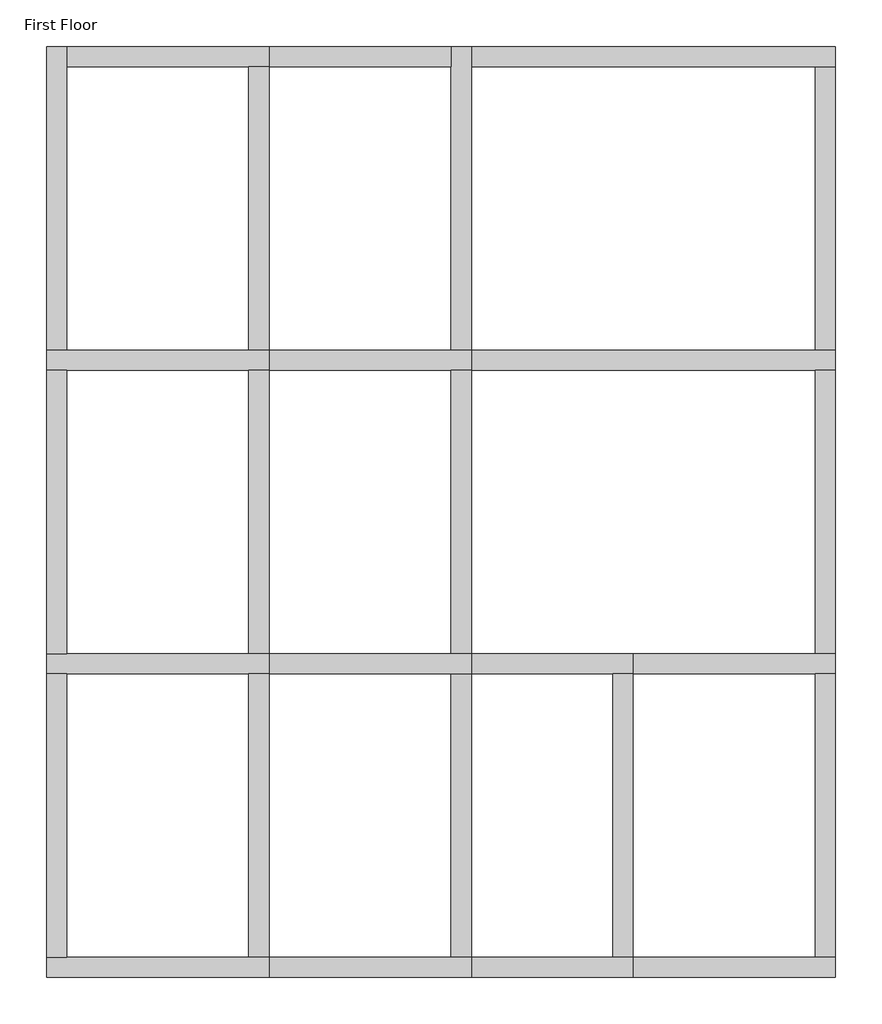
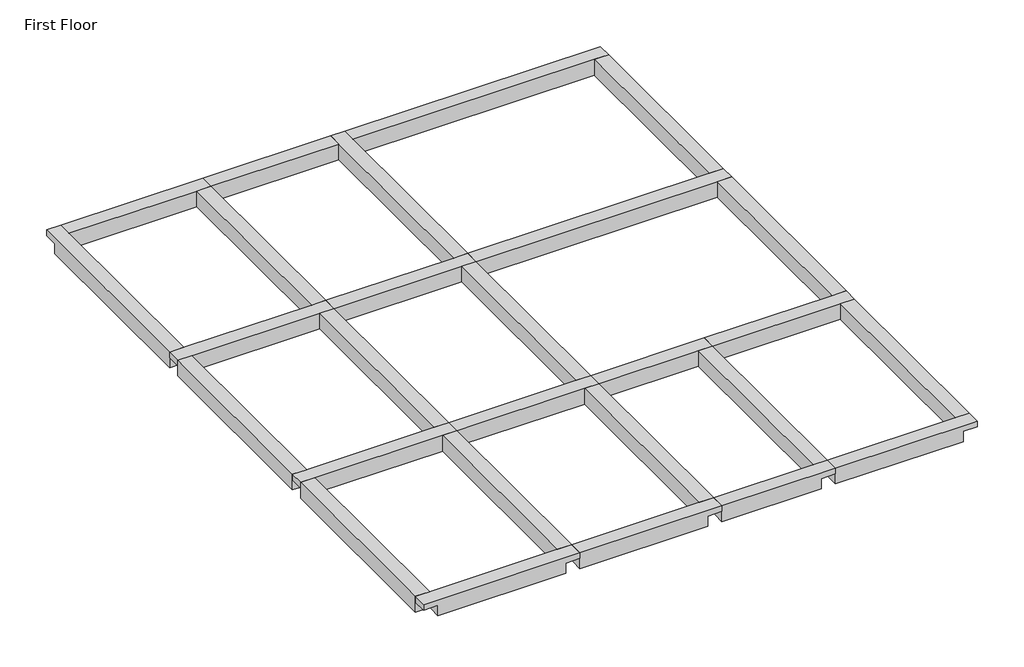
# One storey: 27 beams.
"""IFC4 building model written with IfcOpenShell, lengths in millimetres."""

from ifc_helpers import new_model, si_unit, origin, place, context, project, spatial, faceted_brep, element, save

model = new_model("IFC4")

# Units and contexts
model_context = context("Model", 3, world=origin())
ifc_project = project(units=[si_unit("LENGTHUNIT", "METRE", prefix="MILLI")], contexts=[model_context])

# Site, building, storey
site = spatial("IfcSite", under=ifc_project)
building = spatial("IfcBuilding", under=site)
storey = spatial("IfcBuildingStorey", under=building, Name="First Floor", Elevation=2870.2)

# Beams
placement = place(None, origin())
element("IfcBeam", 1, ObjectType="Concrete-Rectangular Beam", at=placement, inside=storey, context=model_context, shape_type="Brep", body=[
    faceted_brep([(6210.1409002, -15344.0114294, 2870.2), (6210.1409002, -15039.2114294, 2870.2), (5905.3409002, -15039.2114294, 2870.2), (3162.1409002, -15039.2114294, 2870.2), (2857.3409002, -15039.2114294, 2870.2), (2857.3409002, -15344.0114294, 2870.2), (2857.3409002, -15344.0114294, 2743.2), (3162.1409002, -15344.0114294, 2743.2), (3162.1409002, -15344.0114294, 2514.6), (5905.3409002, -15344.0114294, 2514.6), (5905.3409002, -15344.0114294, 2743.2), (6210.1409002, -15344.0114294, 2743.2), (3162.1409002, -15090.0114294, 2514.6), (3162.1409002, -15039.2114294, 2514.6), (5905.3409002, -15039.2114294, 2514.6), (5905.3409002, -15090.0114294, 2514.6), (6210.1409002, -15039.2114294, 2743.2), (5905.3409002, -15039.2114294, 2743.2), (3162.1409002, -15039.2114294, 2743.2), (2857.3409002, -15039.2114294, 2743.2)], [[[0, 1, 2, 3, 4, 5]], [[0, 5, 6, 7, 8, 9, 10, 11]], [[8, 12, 13, 14, 15, 9]], [[4, 3, 2, 1, 16, 17, 14, 13, 18, 19]], [[1, 0, 11, 16]], [[5, 4, 19, 6]], [[7, 18, 13, 12, 8]], [[18, 7, 6, 19]], [[17, 10, 9, 15, 14]], [[10, 17, 16, 11]]]),
])
element("IfcBeam", 2, ObjectType="Concrete-Rectangular Beam", at=placement, inside=storey, context=model_context, shape_type="Brep", body=[
    faceted_brep([(9258.1409002, -15344.0114294, 2870.2), (9258.1409002, -15039.2114294, 2870.2), (8953.3409002, -15039.2114294, 2870.2), (6210.1409002, -15039.2114294, 2870.2), (6210.1409002, -15344.0114294, 2870.2), (6210.1409002, -15344.0114294, 2743.2), (6210.1409002, -15344.0114294, 2514.6), (8953.3409002, -15344.0114294, 2514.6), (8953.3409002, -15344.0114294, 2743.2), (9258.1409002, -15344.0114294, 2743.2), (6210.1409002, -15090.0114294, 2514.6), (6210.1409002, -15039.2114294, 2514.6), (8953.3409002, -15039.2114294, 2514.6), (8953.3409002, -15090.0114294, 2514.6), (9258.1409002, -15039.2114294, 2743.2), (8953.3409002, -15039.2114294, 2743.2), (6210.1409002, -15039.2114294, 2743.2)], [[[0, 1, 2, 3, 4]], [[0, 4, 5, 6, 7, 8, 9]], [[6, 10, 11, 12, 13, 7]], [[3, 2, 1, 14, 15, 12, 11, 16]], [[1, 0, 9, 14]], [[4, 3, 16, 11, 10, 6, 5]], [[15, 8, 7, 13, 12]], [[8, 15, 14, 9]]]),
])
element("IfcBeam", 3, ObjectType="Concrete-Rectangular Beam", at=placement, inside=storey, context=model_context, shape_type="Brep", body=[
    faceted_brep([(11696.5409002, -15344.0114294, 2870.2), (11696.5409002, -15039.2114294, 2870.2), (11391.7409002, -15039.2114294, 2870.2), (9258.1409002, -15039.2114294, 2870.2), (9258.1409002, -15344.0114294, 2870.2), (9258.1409002, -15344.0114294, 2743.2), (9258.1409002, -15344.0114294, 2514.6), (11391.7409002, -15344.0114294, 2514.6), (11391.7409002, -15344.0114294, 2743.2), (11696.5409002, -15344.0114294, 2743.2), (9258.1409002, -15090.0114294, 2514.6), (9258.1409002, -15039.2114294, 2514.6), (11391.7409002, -15039.2114294, 2514.6), (11391.7409002, -15090.0114294, 2514.6), (11696.5409002, -15039.2114294, 2743.2), (11391.7409002, -15039.2114294, 2743.2), (9258.1409002, -15039.2114294, 2743.2)], [[[0, 1, 2, 3, 4]], [[0, 4, 5, 6, 7, 8, 9]], [[6, 10, 11, 12, 13, 7]], [[3, 2, 1, 14, 15, 12, 11, 16]], [[1, 0, 9, 14]], [[4, 3, 16, 11, 10, 6, 5]], [[15, 8, 7, 13, 12]], [[8, 15, 14, 9]]]),
])
element("IfcBeam", 4, ObjectType="Concrete-Rectangular Beam", at=placement, inside=storey, context=model_context, shape_type="Brep", body=[
    faceted_brep([(14744.5409002, -15344.0114294, 2870.2), (14744.5409002, -15039.2114294, 2870.2), (14439.7409002, -15039.2114294, 2870.2), (11696.5409002, -15039.2114294, 2870.2), (11696.5409002, -15344.0114294, 2870.2), (11696.5409002, -15344.0114294, 2743.2), (11696.5409002, -15344.0114294, 2514.6), (14439.7409002, -15344.0114294, 2514.6), (14439.7409002, -15344.0114294, 2743.2), (14744.5409002, -15344.0114294, 2743.2), (11696.5409002, -15090.0114294, 2514.6), (11696.5409002, -15039.2114294, 2514.6), (14439.7409002, -15039.2114294, 2514.6), (14439.7409002, -15090.0114294, 2514.6), (14744.5409002, -15039.2114294, 2743.2), (14439.7409002, -15039.2114294, 2743.2), (11696.5409002, -15039.2114294, 2743.2)], [[[0, 1, 2, 3, 4]], [[0, 4, 5, 6, 7, 8, 9]], [[6, 10, 11, 12, 13, 7]], [[3, 2, 1, 14, 15, 12, 11, 16]], [[1, 0, 9, 14]], [[4, 3, 16, 11, 10, 6, 5]], [[15, 8, 7, 13, 12]], [[8, 15, 14, 9]]]),
])
element("IfcBeam", 5, ObjectType="Concrete-Rectangular Beam", at=placement, inside=storey, context=model_context, shape_type="Brep", body=[
    faceted_brep([(6210.1409002, -10772.0114294, 2870.2), (6210.1409002, -10467.2114294, 2870.2), (5905.3409002, -10467.2114294, 2870.2), (3162.1409002, -10467.2114294, 2870.2), (2857.3409002, -10467.2114294, 2870.2), (2857.3409002, -10772.0114294, 2870.2), (3162.1409002, -10772.0114294, 2870.2), (5905.3409002, -10772.0114294, 2870.2), (2857.3409002, -10772.0114294, 2743.2), (3162.1409002, -10772.0114294, 2743.2), (3162.1409002, -10772.0114294, 2514.6), (5905.3409002, -10772.0114294, 2514.6), (5905.3409002, -10772.0114294, 2743.2), (6210.1409002, -10772.0114294, 2743.2), (3162.1409002, -10467.2114294, 2514.6), (5905.3409002, -10467.2114294, 2514.6), (6210.1409002, -10467.2114294, 2743.2), (5905.3409002, -10467.2114294, 2743.2), (3162.1409002, -10467.2114294, 2743.2), (2857.3409002, -10467.2114294, 2743.2)], [[[0, 1, 2, 3, 4, 5, 6, 7]], [[0, 7, 6, 5, 8, 9, 10, 11, 12, 13]], [[10, 14, 15, 11]], [[4, 3, 2, 1, 16, 17, 15, 14, 18, 19]], [[1, 0, 13, 16]], [[5, 4, 19, 8]], [[9, 18, 14, 10]], [[18, 9, 8, 19]], [[17, 12, 11, 15]], [[12, 17, 16, 13]]]),
])
element("IfcBeam", 6, ObjectType="Concrete-Rectangular Beam", at=placement, inside=storey, context=model_context, shape_type="Brep", body=[
    faceted_brep([(9258.1409002, -10772.0114294, 2870.2), (9258.1409002, -10467.2114294, 2870.2), (8953.3409002, -10467.2114294, 2870.2), (6210.1409002, -10467.2114294, 2870.2), (6210.1409002, -10772.0114294, 2870.2), (8953.3409002, -10772.0114294, 2870.2), (6210.1409002, -10772.0114294, 2743.2), (6210.1409002, -10772.0114294, 2514.6), (8953.3409002, -10772.0114294, 2514.6), (8953.3409002, -10772.0114294, 2743.2), (9258.1409002, -10772.0114294, 2743.2), (6210.1409002, -10467.2114294, 2514.6), (8953.3409002, -10467.2114294, 2514.6), (9258.1409002, -10467.2114294, 2743.2), (8953.3409002, -10467.2114294, 2743.2), (6210.1409002, -10467.2114294, 2743.2)], [[[0, 1, 2, 3, 4, 5]], [[0, 5, 4, 6, 7, 8, 9, 10]], [[7, 11, 12, 8]], [[3, 2, 1, 13, 14, 12, 11, 15]], [[1, 0, 10, 13]], [[4, 3, 15, 11, 7, 6]], [[14, 9, 8, 12]], [[9, 14, 13, 10]]]),
])
element("IfcBeam", 7, ObjectType="Concrete-Rectangular Beam", at=placement, inside=storey, context=model_context, shape_type="Brep", body=[
    faceted_brep([(11696.5409002, -10772.0114294, 2870.2), (11696.5409002, -10467.2114294, 2870.2), (9258.1409002, -10467.2114294, 2870.2), (9258.1409002, -10772.0114294, 2870.2), (11391.7409002, -10772.0114294, 2870.2), (9258.1409002, -10772.0114294, 2743.2), (9258.1409002, -10772.0114294, 2514.6), (11391.7409002, -10772.0114294, 2514.6), (11391.7409002, -10772.0114294, 2743.2), (11696.5409002, -10772.0114294, 2743.2), (9258.1409002, -10467.2114294, 2514.6), (11391.7409002, -10467.2114294, 2514.6), (11696.5409002, -10467.2114294, 2743.2), (11391.7409002, -10467.2114294, 2743.2), (9258.1409002, -10467.2114294, 2743.2)], [[[0, 1, 2, 3, 4]], [[0, 4, 3, 5, 6, 7, 8, 9]], [[6, 10, 11, 7]], [[2, 1, 12, 13, 11, 10, 14]], [[1, 0, 9, 12]], [[3, 2, 14, 10, 6, 5]], [[13, 8, 7, 11]], [[8, 13, 12, 9]]]),
])
element("IfcBeam", 8, ObjectType="Concrete-Rectangular Beam", at=placement, inside=storey, context=model_context, shape_type="Brep", body=[
    faceted_brep([(14744.5409002, -10772.0114294, 2870.2), (14744.5409002, -10467.2114294, 2870.2), (14439.7409002, -10467.2114294, 2870.2), (11696.5409002, -10467.2114294, 2870.2), (11696.5409002, -10772.0114294, 2870.2), (14439.7409002, -10772.0114294, 2870.2), (11696.5409002, -10772.0114294, 2743.2), (11696.5409002, -10772.0114294, 2514.6), (14439.7409002, -10772.0114294, 2514.6), (14439.7409002, -10772.0114294, 2743.2), (14744.5409002, -10772.0114294, 2743.2), (11696.5409002, -10467.2114294, 2514.6), (14439.7409002, -10467.2114294, 2514.6), (14744.5409002, -10467.2114294, 2743.2), (14439.7409002, -10467.2114294, 2743.2), (11696.5409002, -10467.2114294, 2743.2)], [[[0, 1, 2, 3, 4, 5]], [[0, 5, 4, 6, 7, 8, 9, 10]], [[7, 11, 12, 8]], [[3, 2, 1, 13, 14, 12, 11, 15]], [[1, 0, 10, 13]], [[4, 3, 15, 11, 7, 6]], [[14, 9, 8, 12]], [[9, 14, 13, 10]]]),
])
element("IfcBeam", 9, ObjectType="Concrete-Rectangular Beam", at=placement, inside=storey, context=model_context, shape_type="Brep", body=[
    faceted_brep([(6210.1409002, -6200.0114294, 2870.2), (6210.1409002, -5895.2114294, 2870.2), (5905.3409002, -5895.2114294, 2870.2), (3162.1409002, -5895.2114294, 2870.2), (2857.3409002, -5895.2114294, 2870.2), (2857.3409002, -6200.0114294, 2870.2), (3162.1409002, -6200.0114294, 2870.2), (5905.3409002, -6200.0114294, 2870.2), (2857.3409002, -6200.0114294, 2743.2), (3162.1409002, -6200.0114294, 2743.2), (3162.1409002, -6200.0114294, 2514.6), (5905.3409002, -6200.0114294, 2514.6), (5905.3409002, -6200.0114294, 2743.2), (6210.1409002, -6200.0114294, 2743.2), (3162.1409002, -5895.2114294, 2514.6), (5905.3409002, -5895.2114294, 2514.6), (6210.1409002, -5895.2114294, 2743.2), (5905.3409002, -5895.2114294, 2743.2), (3162.1409002, -5895.2114294, 2743.2), (2857.3409002, -5895.2114294, 2743.2)], [[[0, 1, 2, 3, 4, 5, 6, 7]], [[0, 7, 6, 5, 8, 9, 10, 11, 12, 13]], [[10, 14, 15, 11]], [[4, 3, 2, 1, 16, 17, 15, 14, 18, 19]], [[1, 0, 13, 16]], [[5, 4, 19, 8]], [[9, 18, 14, 10]], [[18, 9, 8, 19]], [[17, 12, 11, 15]], [[12, 17, 16, 13]]]),
])
element("IfcBeam", 10, ObjectType="Concrete-Rectangular Beam", at=placement, inside=storey, context=model_context, shape_type="Brep", body=[
    faceted_brep([(9258.1409002, -6200.0114294, 2870.2), (9258.1409002, -5895.2114294, 2870.2), (8953.3409002, -5895.2114294, 2870.2), (6210.1409002, -5895.2114294, 2870.2), (6210.1409002, -6200.0114294, 2870.2), (8953.3409002, -6200.0114294, 2870.2), (6210.1409002, -6200.0114294, 2743.2), (6210.1409002, -6200.0114294, 2514.6), (8953.3409002, -6200.0114294, 2514.6), (8953.3409002, -6200.0114294, 2743.2), (9258.1409002, -6200.0114294, 2743.2), (6210.1409002, -5895.2114294, 2514.6), (8953.3409002, -5895.2114294, 2514.6), (9258.1409002, -5895.2114294, 2743.2), (8953.3409002, -5895.2114294, 2743.2), (6210.1409002, -5895.2114294, 2743.2)], [[[0, 1, 2, 3, 4, 5]], [[0, 5, 4, 6, 7, 8, 9, 10]], [[7, 11, 12, 8]], [[3, 2, 1, 13, 14, 12, 11, 15]], [[1, 0, 10, 13]], [[4, 3, 15, 11, 7, 6]], [[14, 9, 8, 12]], [[9, 14, 13, 10]]]),
])
element("IfcBeam", 11, ObjectType="Concrete-Rectangular Beam", at=placement, inside=storey, context=model_context, shape_type="Brep", body=[
    faceted_brep([(14744.5409002, -6200.0114294, 2870.2), (14744.5409002, -5895.2114294, 2870.2), (14439.7409002, -5895.2114294, 2870.2), (9258.1409002, -5895.2114294, 2870.2), (9258.1409002, -6200.0114294, 2870.2), (14439.7409002, -6200.0114294, 2870.2), (9258.1409002, -6200.0114294, 2743.2), (9258.1409002, -6200.0114294, 2514.6), (14439.7409002, -6200.0114294, 2514.6), (14439.7409002, -6200.0114294, 2743.2), (14744.5409002, -6200.0114294, 2743.2), (9258.1409002, -5895.2114294, 2514.6), (14439.7409002, -5895.2114294, 2514.6), (14744.5409002, -5895.2114294, 2743.2), (14439.7409002, -5895.2114294, 2743.2), (9258.1409002, -5895.2114294, 2743.2)], [[[0, 1, 2, 3, 4, 5]], [[0, 5, 4, 6, 7, 8, 9, 10]], [[7, 11, 12, 8]], [[3, 2, 1, 13, 14, 12, 11, 15]], [[1, 0, 10, 13]], [[4, 3, 15, 11, 7, 6]], [[14, 9, 8, 12]], [[9, 14, 13, 10]]]),
])
element("IfcBeam", 12, ObjectType="Concrete-Rectangular Beam", at=placement, inside=storey, context=model_context, shape_type="Brep", body=[
    faceted_brep([(3162.1409002, -1323.2114294, 2870.2), (2857.3409002, -1323.2114294, 2870.2), (2857.3409002, -5895.2114294, 2870.2), (3162.1409002, -5895.2114294, 2870.2), (3162.1409002, -1628.0114294, 2870.2), (2857.3409002, -1323.2114294, 2743.2), (2857.3409002, -1628.0114294, 2743.2), (2857.3409002, -1628.0114294, 2514.6), (2857.3409002, -5895.2114294, 2514.6), (2857.3409002, -5895.2114294, 2743.2), (3162.1409002, -5895.2114294, 2514.6), (3111.3409002, -5895.2114294, 2514.6), (3111.3409002, -1628.0114294, 2514.6), (3162.1409002, -1628.0114294, 2514.6), (3162.1409002, -5895.2114294, 2743.2), (3162.1409002, -1628.0114294, 2743.2), (3162.1409002, -1323.2114294, 2743.2)], [[[0, 1, 2, 3, 4]], [[2, 1, 5, 6, 7, 8, 9]], [[10, 11, 8, 7, 12, 13]], [[0, 4, 3, 14, 10, 13, 15, 16]], [[1, 0, 16, 5]], [[3, 2, 9, 8, 11, 10, 14]], [[6, 15, 13, 12, 7]], [[15, 6, 5, 16]]]),
])
element("IfcBeam", 13, ObjectType="Concrete-Rectangular Beam", at=placement, inside=storey, context=model_context, shape_type="Brep", body=[
    faceted_brep([(2857.3409002, -10467.2114294, 2870.2), (3162.1409002, -10467.2114294, 2870.2), (3162.1409002, -6200.0114294, 2870.2), (2857.3409002, -6200.0114294, 2870.2), (2857.3409002, -10467.2114294, 2514.6), (2857.3409002, -10467.2114294, 2743.2), (2857.3409002, -6200.0114294, 2743.2), (2857.3409002, -6200.0114294, 2514.6), (3162.1409002, -10467.2114294, 2514.6), (3111.3409002, -10467.2114294, 2514.6), (3111.3409002, -6200.0114294, 2514.6), (3162.1409002, -6200.0114294, 2514.6), (3162.1409002, -10467.2114294, 2743.2), (3162.1409002, -6200.0114294, 2743.2)], [[[0, 1, 2, 3]], [[4, 5, 0, 3, 6, 7]], [[8, 9, 4, 7, 10, 11]], [[1, 12, 8, 11, 13, 2]], [[1, 0, 5, 4, 9, 8, 12]], [[3, 2, 13, 11, 10, 7, 6]]]),
])
element("IfcBeam", 14, ObjectType="Concrete-Rectangular Beam", at=placement, inside=storey, context=model_context, shape_type="Brep", body=[
    faceted_brep([(2857.3409002, -15039.2114294, 2870.2), (3162.1409002, -15039.2114294, 2870.2), (3162.1409002, -10772.0114294, 2870.2), (2857.3409002, -10772.0114294, 2870.2), (2857.3409002, -15039.2114294, 2514.6), (2857.3409002, -15039.2114294, 2743.2), (2857.3409002, -10772.0114294, 2743.2), (2857.3409002, -10772.0114294, 2514.6), (3162.1409002, -15039.2114294, 2514.6), (3111.3409002, -15039.2114294, 2514.6), (3111.3409002, -10772.0114294, 2514.6), (3162.1409002, -10772.0114294, 2514.6), (3162.1409002, -15039.2114294, 2743.2), (3162.1409002, -10772.0114294, 2743.2)], [[[0, 1, 2, 3]], [[4, 5, 0, 3, 6, 7]], [[8, 9, 4, 7, 10, 11]], [[1, 12, 8, 11, 13, 2]], [[1, 0, 5, 4, 9, 8, 12]], [[3, 2, 13, 11, 10, 7, 6]]]),
])
element("IfcBeam", 15, ObjectType="Concrete-Rectangular Beam", at=placement, inside=storey, context=model_context, shape_type="Brep", body=[
    faceted_brep([(9258.1409002, -1323.2114294, 2870.2), (8953.3409002, -1323.2114294, 2870.2), (8953.3409002, -1628.0114294, 2870.2), (8953.3409002, -5895.2114294, 2870.2), (9258.1409002, -5895.2114294, 2870.2), (9258.1409002, -1628.0114294, 2870.2), (8953.3409002, -1323.2114294, 2743.2), (8953.3409002, -1628.0114294, 2743.2), (8953.3409002, -1628.0114294, 2514.6), (8953.3409002, -5895.2114294, 2514.6), (8953.3409002, -5895.2114294, 2743.2), (9258.1409002, -5895.2114294, 2514.6), (9258.1409002, -1628.0114294, 2514.6), (9258.1409002, -5895.2114294, 2743.2), (9258.1409002, -1628.0114294, 2743.2), (9258.1409002, -1323.2114294, 2743.2)], [[[0, 1, 2, 3, 4, 5]], [[3, 2, 1, 6, 7, 8, 9, 10]], [[11, 9, 8, 12]], [[0, 5, 4, 13, 11, 12, 14, 15]], [[1, 0, 15, 6]], [[4, 3, 10, 9, 11, 13]], [[7, 14, 12, 8]], [[14, 7, 6, 15]]]),
])
element("IfcBeam", 16, ObjectType="Concrete-Rectangular Beam", at=placement, inside=storey, context=model_context, shape_type="Brep", body=[
    faceted_brep([(8953.3409002, -10467.2114294, 2870.2), (9258.1409002, -10467.2114294, 2870.2), (9258.1409002, -6200.0114294, 2870.2), (8953.3409002, -6200.0114294, 2870.2), (8953.3409002, -10467.2114294, 2514.6), (8953.3409002, -10467.2114294, 2743.2), (8953.3409002, -6200.0114294, 2743.2), (8953.3409002, -6200.0114294, 2514.6), (9258.1409002, -10467.2114294, 2514.6), (9258.1409002, -6200.0114294, 2514.6), (9258.1409002, -10467.2114294, 2743.2), (9258.1409002, -6200.0114294, 2743.2)], [[[0, 1, 2, 3]], [[4, 5, 0, 3, 6, 7]], [[8, 4, 7, 9]], [[1, 10, 8, 9, 11, 2]], [[1, 0, 5, 4, 8, 10]], [[3, 2, 11, 9, 7, 6]]]),
])
element("IfcBeam", 17, ObjectType="Concrete-Rectangular Beam", at=placement, inside=storey, context=model_context, shape_type="Brep", body=[
    faceted_brep([(8953.3409002, -15039.2114294, 2870.2), (9258.1409002, -15039.2114294, 2870.2), (9258.1409002, -10772.0114294, 2870.2), (8953.3409002, -10772.0114294, 2870.2), (8953.3409002, -15039.2114294, 2514.6), (8953.3409002, -15039.2114294, 2743.2), (8953.3409002, -10772.0114294, 2743.2), (8953.3409002, -10772.0114294, 2514.6), (9258.1409002, -15039.2114294, 2514.6), (9258.1409002, -10772.0114294, 2514.6), (9258.1409002, -15039.2114294, 2743.2), (9258.1409002, -10772.0114294, 2743.2)], [[[0, 1, 2, 3]], [[4, 5, 0, 3, 6, 7]], [[8, 4, 7, 9]], [[1, 10, 8, 9, 11, 2]], [[1, 0, 5, 4, 8, 10]], [[3, 2, 11, 9, 7, 6]]]),
])
element("IfcBeam", 18, ObjectType="Concrete-Rectangular Beam", at=placement, inside=storey, context=model_context, shape_type="Brep", body=[
    faceted_brep([(11391.7409002, -15039.2114294, 2870.2), (11696.5409002, -15039.2114294, 2870.2), (11696.5409002, -10772.0114294, 2870.2), (11391.7409002, -10772.0114294, 2870.2), (11391.7409002, -15039.2114294, 2514.6), (11391.7409002, -15039.2114294, 2743.2), (11391.7409002, -10772.0114294, 2743.2), (11391.7409002, -10772.0114294, 2514.6), (11696.5409002, -15039.2114294, 2514.6), (11696.5409002, -10772.0114294, 2514.6), (11696.5409002, -15039.2114294, 2743.2), (11696.5409002, -10772.0114294, 2743.2)], [[[0, 1, 2, 3]], [[4, 5, 0, 3, 6, 7]], [[8, 4, 7, 9]], [[1, 10, 8, 9, 11, 2]], [[1, 0, 5, 4, 8, 10]], [[3, 2, 11, 9, 7, 6]]]),
])
element("IfcBeam", 19, ObjectType="Concrete-Rectangular Beam", at=placement, inside=storey, context=model_context, shape_type="Brep", body=[
    faceted_brep([(6210.1409002, -1628.0114294, 2870.2), (6210.1409002, -1323.2114294, 2870.2), (3162.1409002, -1323.2114294, 2870.2), (3162.1409002, -1628.0114294, 2870.2), (5905.3409002, -1628.0114294, 2870.2), (3162.1409002, -1628.0114294, 2743.2), (3162.1409002, -1628.0114294, 2514.6), (5905.3409002, -1628.0114294, 2514.6), (5905.3409002, -1628.0114294, 2743.2), (6210.1409002, -1628.0114294, 2743.2), (3162.1409002, -1323.2114294, 2514.6), (5905.3409002, -1323.2114294, 2514.6), (6210.1409002, -1323.2114294, 2743.2), (5905.3409002, -1323.2114294, 2743.2), (3162.1409002, -1323.2114294, 2743.2)], [[[0, 1, 2, 3, 4]], [[0, 4, 3, 5, 6, 7, 8, 9]], [[6, 10, 11, 7]], [[2, 1, 12, 13, 11, 10, 14]], [[1, 0, 9, 12]], [[3, 2, 14, 10, 6, 5]], [[13, 8, 7, 11]], [[8, 13, 12, 9]]]),
])
element("IfcBeam", 20, ObjectType="Concrete-Rectangular Beam", at=placement, inside=storey, context=model_context, shape_type="Brep", body=[
    faceted_brep([(8953.3409002, -1628.0114294, 2870.2), (8953.3409002, -1323.2114294, 2870.2), (6210.1409002, -1323.2114294, 2870.2), (6210.1409002, -1628.0114294, 2870.2), (8953.3409002, -1628.0114294, 2514.6), (8953.3409002, -1628.0114294, 2743.2), (6210.1409002, -1628.0114294, 2743.2), (6210.1409002, -1628.0114294, 2514.6), (8953.3409002, -1323.2114294, 2514.6), (6210.1409002, -1323.2114294, 2514.6), (8953.3409002, -1323.2114294, 2743.2), (6210.1409002, -1323.2114294, 2743.2)], [[[0, 1, 2, 3]], [[4, 5, 0, 3, 6, 7]], [[8, 4, 7, 9]], [[1, 10, 8, 9, 11, 2]], [[1, 0, 5, 4, 8, 10]], [[3, 2, 11, 9, 7, 6]]]),
])
element("IfcBeam", 21, ObjectType="Concrete-Rectangular Beam", at=placement, inside=storey, context=model_context, shape_type="Brep", body=[
    faceted_brep([(14744.5409002, -1628.0114294, 2870.2), (14744.5409002, -1323.2114294, 2870.2), (9258.1409002, -1323.2114294, 2870.2), (9258.1409002, -1628.0114294, 2870.2), (14439.7409002, -1628.0114294, 2870.2), (9258.1409002, -1628.0114294, 2743.2), (9258.1409002, -1628.0114294, 2514.6), (14439.7409002, -1628.0114294, 2514.6), (14439.7409002, -1628.0114294, 2743.2), (14744.5409002, -1628.0114294, 2743.2), (9258.1409002, -1577.2114294, 2514.6), (9258.1409002, -1323.2114294, 2514.6), (14439.7409002, -1323.2114294, 2514.6), (14439.7409002, -1577.2114294, 2514.6), (14744.5409002, -1323.2114294, 2743.2), (14439.7409002, -1323.2114294, 2743.2), (9258.1409002, -1323.2114294, 2743.2)], [[[0, 1, 2, 3, 4]], [[0, 4, 3, 5, 6, 7, 8, 9]], [[6, 10, 11, 12, 13, 7]], [[2, 1, 14, 15, 12, 11, 16]], [[1, 0, 9, 14]], [[3, 2, 16, 11, 10, 6, 5]], [[15, 8, 7, 13, 12]], [[8, 15, 14, 9]]]),
])
element("IfcBeam", 22, ObjectType="Concrete-Rectangular Beam", at=placement, inside=storey, context=model_context, shape_type="Brep", body=[
    faceted_brep([(14439.7409002, -5895.2114294, 2870.2), (14744.5409002, -5895.2114294, 2870.2), (14744.5409002, -1628.0114294, 2870.2), (14439.7409002, -1628.0114294, 2870.2), (14439.7409002, -5895.2114294, 2514.6), (14439.7409002, -5895.2114294, 2743.2), (14439.7409002, -1628.0114294, 2743.2), (14439.7409002, -1628.0114294, 2514.6), (14744.5409002, -5895.2114294, 2514.6), (14744.5409002, -1628.0114294, 2514.6), (14744.5409002, -5895.2114294, 2743.2), (14744.5409002, -1628.0114294, 2743.2)], [[[0, 1, 2, 3]], [[4, 5, 0, 3, 6, 7]], [[8, 4, 7, 9]], [[1, 10, 8, 9, 11, 2]], [[1, 0, 5, 4, 8, 10]], [[3, 2, 11, 9, 7, 6]]]),
])
element("IfcBeam", 23, ObjectType="Concrete-Rectangular Beam", at=placement, inside=storey, context=model_context, shape_type="Brep", body=[
    faceted_brep([(14439.7409002, -10467.2114294, 2870.2), (14744.5409002, -10467.2114294, 2870.2), (14744.5409002, -6200.0114294, 2870.2), (14439.7409002, -6200.0114294, 2870.2), (14439.7409002, -10467.2114294, 2514.6), (14439.7409002, -10467.2114294, 2743.2), (14439.7409002, -6200.0114294, 2743.2), (14439.7409002, -6200.0114294, 2514.6), (14744.5409002, -10467.2114294, 2514.6), (14744.5409002, -6200.0114294, 2514.6), (14744.5409002, -10467.2114294, 2743.2), (14744.5409002, -6200.0114294, 2743.2)], [[[0, 1, 2, 3]], [[4, 5, 0, 3, 6, 7]], [[8, 4, 7, 9]], [[1, 10, 8, 9, 11, 2]], [[1, 0, 5, 4, 8, 10]], [[3, 2, 11, 9, 7, 6]]]),
])
element("IfcBeam", 24, ObjectType="Concrete-Rectangular Beam", at=placement, inside=storey, context=model_context, shape_type="Brep", body=[
    faceted_brep([(14439.7409002, -15039.2114294, 2870.2), (14744.5409002, -15039.2114294, 2870.2), (14744.5409002, -10772.0114294, 2870.2), (14439.7409002, -10772.0114294, 2870.2), (14439.7409002, -15039.2114294, 2514.6), (14439.7409002, -15039.2114294, 2743.2), (14439.7409002, -10772.0114294, 2743.2), (14439.7409002, -10772.0114294, 2514.6), (14744.5409002, -15039.2114294, 2514.6), (14744.5409002, -10772.0114294, 2514.6), (14744.5409002, -15039.2114294, 2743.2), (14744.5409002, -10772.0114294, 2743.2)], [[[0, 1, 2, 3]], [[4, 5, 0, 3, 6, 7]], [[8, 4, 7, 9]], [[1, 10, 8, 9, 11, 2]], [[1, 0, 5, 4, 8, 10]], [[3, 2, 11, 9, 7, 6]]]),
])
element("IfcBeam", 25, ObjectType="Concrete-Rectangular Beam", at=placement, inside=storey, context=model_context, shape_type="Brep", body=[
    faceted_brep([(5905.3409002, -5895.2114294, 2870.2), (6210.1409002, -5895.2114294, 2870.2), (6210.1409002, -1628.0114294, 2870.2), (5905.3409002, -1628.0114294, 2870.2), (5905.3409002, -5895.2114294, 2514.6), (5905.3409002, -5895.2114294, 2743.2), (5905.3409002, -1628.0114294, 2743.2), (5905.3409002, -1628.0114294, 2514.6), (6210.1409002, -5895.2114294, 2514.6), (6210.1409002, -1628.0114294, 2514.6), (6210.1409002, -5895.2114294, 2743.2), (6210.1409002, -1628.0114294, 2743.2)], [[[0, 1, 2, 3]], [[4, 5, 0, 3, 6, 7]], [[8, 4, 7, 9]], [[1, 10, 8, 9, 11, 2]], [[1, 0, 5, 4, 8, 10]], [[3, 2, 11, 9, 7, 6]]]),
])
element("IfcBeam", 26, ObjectType="Concrete-Rectangular Beam", at=placement, inside=storey, context=model_context, shape_type="Brep", body=[
    faceted_brep([(5905.3409002, -10467.2114294, 2870.2), (6210.1409002, -10467.2114294, 2870.2), (6210.1409002, -6200.0114294, 2870.2), (5905.3409002, -6200.0114294, 2870.2), (5905.3409002, -10467.2114294, 2514.6), (5905.3409002, -10467.2114294, 2743.2), (5905.3409002, -6200.0114294, 2743.2), (5905.3409002, -6200.0114294, 2514.6), (6210.1409002, -10467.2114294, 2514.6), (6210.1409002, -6200.0114294, 2514.6), (6210.1409002, -10467.2114294, 2743.2), (6210.1409002, -6200.0114294, 2743.2)], [[[0, 1, 2, 3]], [[4, 5, 0, 3, 6, 7]], [[8, 4, 7, 9]], [[1, 10, 8, 9, 11, 2]], [[1, 0, 5, 4, 8, 10]], [[3, 2, 11, 9, 7, 6]]]),
])
element("IfcBeam", 27, ObjectType="Concrete-Rectangular Beam", at=placement, inside=storey, context=model_context, shape_type="Brep", body=[
    faceted_brep([(5905.3409002, -15039.2114294, 2870.2), (6210.1409002, -15039.2114294, 2870.2), (6210.1409002, -10772.0114294, 2870.2), (5905.3409002, -10772.0114294, 2870.2), (5905.3409002, -15039.2114294, 2514.6), (5905.3409002, -15039.2114294, 2743.2), (5905.3409002, -10772.0114294, 2743.2), (5905.3409002, -10772.0114294, 2514.6), (6210.1409002, -15039.2114294, 2514.6), (6210.1409002, -10772.0114294, 2514.6), (6210.1409002, -15039.2114294, 2743.2), (6210.1409002, -10772.0114294, 2743.2)], [[[0, 1, 2, 3]], [[4, 5, 0, 3, 6, 7]], [[8, 4, 7, 9]], [[1, 10, 8, 9, 11, 2]], [[1, 0, 5, 4, 8, 10]], [[3, 2, 11, 9, 7, 6]]]),
])

save(model, "model.ifc")
